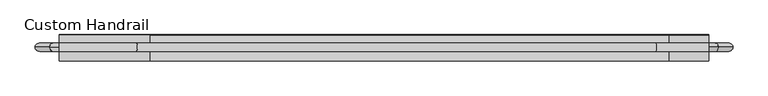
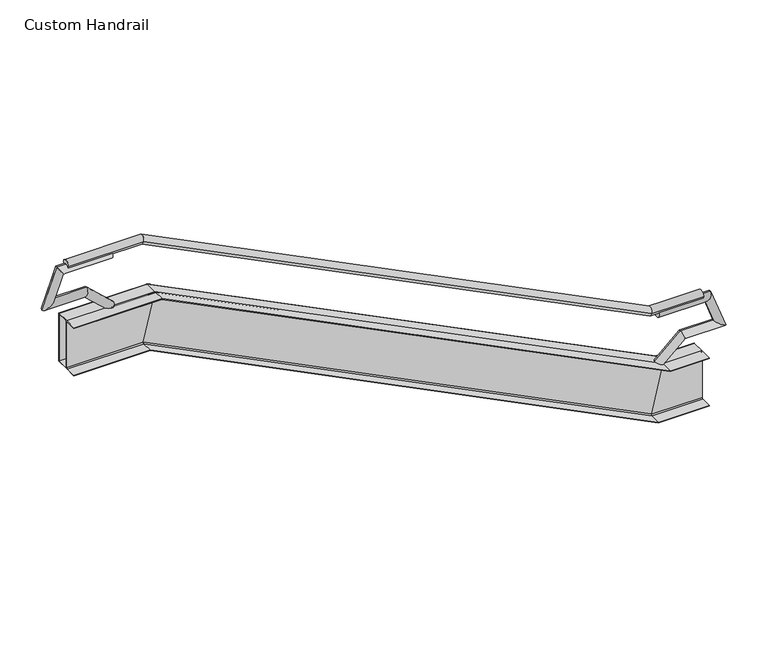
"""IFC4 building model written with IfcOpenShell, lengths in millimetres: railing geometry, Custom Handrail."""

from ifc_helpers import new_model, si_unit, frame, origin, place, context, project, spatial, polyline, circle_curve, ellipse_curve, faceted_brep, source, transform, mapped, element, save
from ifc_brep_helpers import plane_surface, cylinder_surface, revolved_surface, advanced_brep


def custom_handrail_e671c3d2(model_context):
    return source(origin(), model_context, "Body", "SolidModel", [
        advanced_brep(
        [(1131.1479602, 338.9735586, 863.6), (1131.1479602, 237.3735586, 863.6), (509.5557069, 338.9735586, 863.6), (509.5557069, 237.3735586, 863.6), (-5586.4442931, 338.9735586, 3911.6), (-5586.4442931, 237.3735586, 3911.6), (-6488.8520398, 338.9735586, 3911.6), (-6488.8520398, 237.3735586, 3911.6)],
        [
            (0, 1, circle_curve(frame((1131.1479602, 288.1735586, 863.6), z_axis=(1.0, 0.0, 0.0), x_axis=(0.0, -1.0, 0.0)), 50.8)),
            (1, 0, circle_curve(frame((1131.1479602, 288.1735586, 863.6), z_axis=(1.0, 0.0, 0.0), x_axis=(0.0, -1.0, 0.0)), 50.8)),
            (0, 2),
            (2, 3, ellipse_curve(frame((509.5557069, 288.1735586, 863.6), z_axis=(0.9732489894677302, 0.0, -0.22975292054736124), x_axis=(0.22975292054736096, 0.0, 0.9732489894677302)), 52.1963039, 50.8)),
            (3, 1),
            (3, 2, ellipse_curve(frame((509.5557069, 288.1735586, 863.6), z_axis=(0.9732489894677302, 0.0, -0.22975292054736124), x_axis=(0.22975292054736096, 0.0, 0.9732489894677302)), 52.1963039, 50.8)),
            (2, 4),
            (4, 5, ellipse_curve(frame((-5586.4442931, 288.1735586, 3911.6), z_axis=(0.9732489894677302, 0.0, -0.22975292054736132), x_axis=(-0.2297529205473615, 0.0, -0.9732489894677301)), 52.1963039, 50.8)),
            (5, 3),
            (5, 4, ellipse_curve(frame((-5586.4442931, 288.1735586, 3911.6), z_axis=(0.9732489894677302, 0.0, -0.22975292054736132), x_axis=(-0.2297529205473615, 0.0, -0.9732489894677301)), 52.1963039, 50.8)),
            (6, 7, circle_curve(frame((-6488.8520398, 288.1735586, 3911.6), z_axis=(-1.0, 0.0, 0.0), x_axis=(0.0, -1.0, 0.0)), 50.8)),
            (7, 6, circle_curve(frame((-6488.8520398, 288.1735586, 3911.6), z_axis=(-1.0, 0.0, 0.0), x_axis=(0.0, -1.0, 0.0)), 50.8)),
            (4, 6),
            (7, 5),
        ],
        [
            plane_surface(frame((1131.1479602, 288.1735586, 914.4), z_axis=(1.0, 0.0, 0.0), x_axis=(0.0, -1.0, 0.0))),
            cylinder_surface(frame((1131.1479602, 288.1735586, 863.6), z_axis=(1.0, 0.0, 0.0), x_axis=(0.0, -1.0, 0.0)), 50.8),
            cylinder_surface(frame((498.8295095, 288.1735586, 868.9630987), z_axis=(0.8944271909999159, 0.0, -0.44721359549995804), x_axis=(0.0, -1.0, 0.0)), 50.8),
            plane_surface(frame((-6488.8520398, 288.1735586, 3962.4), z_axis=(-1.0, 0.0, 0.0), x_axis=(0.0, -1.0, 0.0))),
            cylinder_surface(frame((-5574.4520398, 288.1735586, 3911.6), z_axis=(1.0, 0.0, 0.0), x_axis=(0.0, -1.0, 0.0)), 50.8),
        ],
        [
            (0, [[1, 2]]),
            (1, [[-1, 3, 4, 5]]),
            (1, [[-2, -5, 6, -3]]),
            (2, [[-4, 7, 8, 9]]),
            (2, [[-6, -9, 10, -7]]),
            (3, [[11, 12]]),
            (4, [[-8, 13, -12, 14]]),
            (4, [[-10, -14, -11, -13]]),
        ],
    ),
        advanced_brep(
        [(1131.1479602, 427.8735586, -457.2), (1131.1479602, 427.8735586, -450.85), (1131.1479602, 294.5235586, -450.85), (1131.1479602, 281.8235586, -438.15), (1131.1479602, 281.8235586, 133.35), (1131.1479602, 294.5235586, 146.05), (1131.1479602, 427.8735586, 146.05), (1131.1479602, 427.8735586, 152.4), (1131.1479602, 275.4735586, 152.4), (1131.1479602, 123.0735586, 152.4), (1131.1479602, 123.0735586, 146.05), (1131.1479602, 256.4235586, 146.05), (1131.1479602, 269.1235586, 133.35), (1131.1479602, 269.1235586, -438.15), (1131.1479602, 256.4235586, -450.85), (1131.1479602, 123.0735586, -450.85), (1131.1479602, 123.0735586, -457.2), (1131.1479602, 275.4735586, -457.2), (521.5479602, 427.8735586, -457.2), (523.0469918, 427.8735586, -450.85), (523.0469918, 294.5235586, -450.85), (526.0450551, 281.8235586, -438.15), (660.9579043, 281.8235586, 133.35), (663.9559676, 294.5235586, 146.05), (663.9559676, 427.8735586, 146.05), (665.4549993, 427.8735586, 152.4), (665.4549993, 275.4735586, 152.4), (665.4549993, 123.0735586, 152.4), (663.9559676, 123.0735586, 146.05), (663.9559676, 256.4235586, 146.05), (660.9579043, 269.1235586, 133.35), (526.0450551, 269.1235586, -438.15), (523.0469918, 256.4235586, -450.85), (523.0469918, 123.0735586, -450.85), (521.5479602, 123.0735586, -457.2), (521.5479602, 275.4735586, -457.2), (-5574.4520398, 427.8735586, 2590.8), (-5572.9530082, 427.8735586, 2597.15), (-5572.9530082, 294.5235586, 2597.15), (-5569.9549449, 281.8235586, 2609.85), (-5435.0420957, 281.8235586, 3181.35), (-5432.0440324, 294.5235586, 3194.05), (-5432.0440324, 427.8735586, 3194.05), (-5430.5450007, 427.8735586, 3200.4), (-5430.5450007, 275.4735586, 3200.4), (-5430.5450007, 123.0735586, 3200.4), (-5432.0440324, 123.0735586, 3194.05), (-5432.0440324, 256.4235586, 3194.05), (-5435.0420957, 269.1235586, 3181.35), (-5569.9549449, 269.1235586, 2609.85), (-5572.9530082, 256.4235586, 2597.15), (-5572.9530082, 123.0735586, 2597.15), (-5574.4520398, 123.0735586, 2590.8), (-5574.4520398, 275.4735586, 2590.8), (-6488.8520398, 427.8735586, 2590.8), (-6488.8520398, 275.4735586, 2590.8), (-6488.8520398, 123.0735586, 2590.8), (-6488.8520398, 123.0735586, 2597.15), (-6488.8520398, 256.4235586, 2597.15), (-6488.8520398, 269.1235586, 2609.85), (-6488.8520398, 269.1235586, 3181.35), (-6488.8520398, 256.4235586, 3194.05), (-6488.8520398, 123.0735586, 3194.05), (-6488.8520398, 123.0735586, 3200.4), (-6488.8520398, 275.4735586, 3200.4), (-6488.8520398, 427.8735586, 3200.4), (-6488.8520398, 427.8735586, 3194.05), (-6488.8520398, 294.5235586, 3194.05), (-6488.8520398, 281.8235586, 3181.35), (-6488.8520398, 281.8235586, 2609.85), (-6488.8520398, 294.5235586, 2597.15), (-6488.8520398, 427.8735586, 2597.15)],
        [
            (0, 1),
            (1, 2),
            (2, 3, circle_curve(frame((1131.1479602, 294.5235586, -438.15), z_axis=(-1.0, 0.0, 0.0), x_axis=(0.0, -1.0, 0.0)), 12.7)),
            (3, 4),
            (4, 5, circle_curve(frame((1131.1479602, 294.5235586, 133.35), z_axis=(-1.0, 0.0, 0.0), x_axis=(0.0, -1.0, 0.0)), 12.7)),
            (5, 6),
            (6, 7),
            (7, 8),
            (8, 9),
            (9, 10),
            (10, 11),
            (11, 12, circle_curve(frame((1131.1479602, 256.4235586, 133.35), z_axis=(-1.0, 0.0, 0.0), x_axis=(0.0, -1.0, 0.0)), 12.7)),
            (12, 13),
            (13, 14, circle_curve(frame((1131.1479602, 256.4235586, -438.15), z_axis=(-1.0, 0.0, 0.0), x_axis=(0.0, -1.0, 0.0)), 12.7)),
            (14, 15),
            (15, 16),
            (16, 17),
            (17, 0),
            (0, 18),
            (18, 19),
            (19, 1),
            (19, 20),
            (20, 2),
            (20, 21, ellipse_curve(frame((526.0450551, 294.5235586, -438.15), z_axis=(-0.9732489894677302, 0.0, 0.22975292054736124), x_axis=(-0.22975292054736096, 0.0, -0.9732489894677302)), 13.049076, 12.7)),
            (21, 3),
            (21, 22),
            (22, 4),
            (22, 23, ellipse_curve(frame((660.9579043, 294.5235586, 133.35), z_axis=(-0.9732489894677302, 0.0, 0.22975292054736124), x_axis=(-0.22975292054736096, 0.0, -0.9732489894677302)), 13.049076, 12.7)),
            (23, 5),
            (23, 24),
            (24, 6),
            (24, 25),
            (25, 7),
            (25, 26),
            (26, 8),
            (26, 27),
            (27, 9),
            (27, 28),
            (28, 10),
            (28, 29),
            (29, 11),
            (29, 30, ellipse_curve(frame((660.9579043, 256.4235586, 133.35), z_axis=(-0.9732489894677302, 0.0, 0.22975292054736124), x_axis=(-0.22975292054736096, 0.0, -0.9732489894677302)), 13.049076, 12.7)),
            (30, 12),
            (30, 31),
            (31, 13),
            (31, 32, ellipse_curve(frame((526.0450551, 256.4235586, -438.15), z_axis=(-0.9732489894677302, 0.0, 0.22975292054736124), x_axis=(-0.22975292054736096, 0.0, -0.9732489894677302)), 13.049076, 12.7)),
            (32, 14),
            (32, 33),
            (33, 15),
            (33, 34),
            (34, 16),
            (34, 35),
            (35, 17),
            (35, 18),
            (18, 36),
            (36, 37),
            (37, 19),
            (37, 38),
            (38, 20),
            (38, 39, ellipse_curve(frame((-5569.9549449, 294.5235586, 2609.85), z_axis=(-0.9732489894677302, 0.0, 0.22975292054736132), x_axis=(0.2297529205473615, 0.0, 0.9732489894677301)), 13.049076, 12.7)),
            (39, 21),
            (39, 40),
            (40, 22),
            (40, 41, ellipse_curve(frame((-5435.0420957, 294.5235586, 3181.35), z_axis=(-0.9732489894677302, 0.0, 0.22975292054736132), x_axis=(0.2297529205473615, 0.0, 0.9732489894677301)), 13.049076, 12.7)),
            (41, 23),
            (41, 42),
            (42, 24),
            (42, 43),
            (43, 25),
            (43, 44),
            (44, 26),
            (44, 45),
            (45, 27),
            (45, 46),
            (46, 28),
            (46, 47),
            (47, 29),
            (47, 48, ellipse_curve(frame((-5435.0420957, 256.4235586, 3181.35), z_axis=(-0.9732489894677302, 0.0, 0.22975292054736132), x_axis=(0.2297529205473615, 0.0, 0.9732489894677301)), 13.049076, 12.7)),
            (48, 30),
            (48, 49),
            (49, 31),
            (49, 50, ellipse_curve(frame((-5569.9549449, 256.4235586, 2609.85), z_axis=(-0.9732489894677302, 0.0, 0.22975292054736132), x_axis=(0.2297529205473615, 0.0, 0.9732489894677301)), 13.049076, 12.7)),
            (50, 32),
            (50, 51),
            (51, 33),
            (51, 52),
            (52, 34),
            (52, 53),
            (53, 35),
            (53, 36),
            (54, 55),
            (55, 56),
            (56, 57),
            (57, 58),
            (58, 59, circle_curve(frame((-6488.8520398, 256.4235586, 2609.85), z_axis=(1.0, 0.0, 0.0), x_axis=(0.0, -1.0, 0.0)), 12.7)),
            (59, 60),
            (60, 61, circle_curve(frame((-6488.8520398, 256.4235586, 3181.35), z_axis=(1.0, 0.0, 0.0), x_axis=(0.0, -1.0, 0.0)), 12.7)),
            (61, 62),
            (62, 63),
            (63, 64),
            (64, 65),
            (65, 66),
            (66, 67),
            (67, 68, circle_curve(frame((-6488.8520398, 294.5235586, 3181.35), z_axis=(1.0, 0.0, 0.0), x_axis=(0.0, -1.0, 0.0)), 12.7)),
            (68, 69),
            (69, 70, circle_curve(frame((-6488.8520398, 294.5235586, 2609.85), z_axis=(1.0, 0.0, 0.0), x_axis=(0.0, -1.0, 0.0)), 12.7)),
            (70, 71),
            (71, 54),
            (36, 54),
            (71, 37),
            (70, 38),
            (69, 39),
            (68, 40),
            (67, 41),
            (66, 42),
            (65, 43),
            (64, 44),
            (63, 45),
            (62, 46),
            (61, 47),
            (60, 48),
            (59, 49),
            (58, 50),
            (57, 51),
            (56, 52),
            (55, 53),
        ],
        [
            plane_surface(frame((1131.1479602, 275.4735586, -457.2), z_axis=(1.0, 0.0, 0.0), x_axis=(0.0, -1.0, 0.0))),
            plane_surface(frame((1131.1479602, 427.8735586, -457.2), z_axis=(0.0, 1.0, 0.0), x_axis=(-1.0, 0.0, 0.0))),
            plane_surface(frame((1131.1479602, 427.8735586, -450.85), z_axis=(0.0, 0.0, 1.0), x_axis=(-1.0, 0.0, 0.0))),
            revolved_surface(polyline([(523.0469917785556, 281.8235586, -438.15), (1131.1479602, 281.8235586, -438.15)]), (1131.1479602, 294.5235586, -438.15), (-1.0, 0.0, 0.0)),
            plane_surface(frame((1131.1479602, 281.8235586, -438.15), z_axis=(0.0, 1.0, 0.0), x_axis=(-1.0, 0.0, 0.0))),
            revolved_surface(polyline([(657.9598409785556, 281.8235586, 133.35), (1131.1479602, 281.8235586, 133.35)]), (1131.1479602, 294.5235586, 133.35), (-1.0, 0.0, 0.0)),
            plane_surface(frame((1131.1479602, 294.5235586, 146.05), z_axis=(0.0, 0.0, -1.0), x_axis=(-1.0, 0.0, 0.0))),
            plane_surface(frame((1131.1479602, 427.8735586, 146.05), z_axis=(0.0, 1.0, 0.0), x_axis=(-1.0, 0.0, 0.0))),
            plane_surface(frame((1131.1479602, 427.8735586, 152.4), z_axis=(0.0, 0.0, 1.0), x_axis=(-1.0, 0.0, 0.0))),
            plane_surface(frame((1131.1479602, 275.4735586, 152.4), z_axis=(0.0, 0.0, 1.0), x_axis=(-1.0, 0.0, 0.0))),
            plane_surface(frame((1131.1479602, 123.0735586, 152.4), z_axis=(0.0, -1.0, 0.0), x_axis=(-1.0, 0.0, 0.0))),
            plane_surface(frame((1131.1479602, 123.0735586, 146.05), z_axis=(0.0, 0.0, -1.0), x_axis=(-1.0, 0.0, 0.0))),
            revolved_surface(polyline([(657.9598409785556, 243.7235586, 133.35), (1131.1479602, 243.7235586, 133.35)]), (1131.1479602, 256.4235586, 133.35), (-1.0, 0.0, 0.0)),
            plane_surface(frame((1131.1479602, 269.1235586, 133.35), z_axis=(0.0, -1.0, 0.0), x_axis=(-1.0, 0.0, 0.0))),
            revolved_surface(polyline([(523.0469917785556, 243.7235586, -438.15), (1131.1479602, 243.7235586, -438.15)]), (1131.1479602, 256.4235586, -438.15), (-1.0, 0.0, 0.0)),
            plane_surface(frame((1131.1479602, 256.4235586, -450.85), z_axis=(0.0, 0.0, 1.0), x_axis=(-1.0, 0.0, 0.0))),
            plane_surface(frame((1131.1479602, 123.0735586, -450.85), z_axis=(0.0, -1.0, 0.0), x_axis=(-1.0, 0.0, 0.0))),
            plane_surface(frame((1131.1479602, 123.0735586, -457.2), z_axis=(0.0, 0.0, -1.0), x_axis=(-1.0, 0.0, 0.0))),
            plane_surface(frame((1131.1479602, 275.4735586, -457.2), z_axis=(0.0, 0.0, -1.0), x_axis=(-1.0, 0.0, 0.0))),
            plane_surface(frame((521.5479602, 427.8735586, -457.2), z_axis=(0.0, 1.0000000000000002, 0.0), x_axis=(-0.894427190999916, 0.0, 0.447213595499958))),
            plane_surface(frame((523.0469918, 427.8735586, -450.85), z_axis=(0.44721359549995787, 0.0, 0.894427190999916), x_axis=(-0.894427190999916, 0.0, 0.44721359549995787))),
            revolved_surface(polyline([(-5572.636494235039, 281.8235586, 2611.19077471752), (528.72660448, 281.8235586, -439.49077464)]), (530.0673792, 294.5235586, -440.161162), (-0.8944271909999159, 0.0, 0.44721359549995804)),
            plane_surface(frame((526.0450551, 281.8235586, -438.15), z_axis=(0.0, 1.0, 0.0), x_axis=(-0.894427190999916, 0.0, 0.44721359549995787))),
            revolved_surface(polyline([(-5437.723645080001, 281.8235586, 3182.690774640001), (663.6394536350394, 281.8235586, 132.0092252824803)]), (785.649949, 294.5235586, 71.0039776), (-0.8944271909999159, 0.0, 0.44721359549995804)),
            plane_surface(frame((663.9559676, 294.5235586, 146.05), z_axis=(-0.447213595499958, 0.0, -0.894427190999916), x_axis=(-0.894427190999916, 0.0, 0.447213595499958))),
            plane_surface(frame((663.9559676, 427.8735586, 146.05), z_axis=(0.0, 1.0000000000000002, 0.0), x_axis=(-0.894427190999916, 0.0, 0.447213595499958))),
            plane_surface(frame((665.4549993, 427.8735586, 152.4), z_axis=(0.447213595499958, 0.0, 0.894427190999916), x_axis=(-0.894427190999916, 0.0, 0.447213595499958))),
            plane_surface(frame((665.4549993, 275.4735586, 152.4), z_axis=(0.447213595499958, 0.0, 0.894427190999916), x_axis=(-0.894427190999916, 0.0, 0.447213595499958))),
            plane_surface(frame((665.4549993, 123.0735586, 152.4), z_axis=(0.0, -1.0, 0.0), x_axis=(-0.894427190999916, 0.0, 0.44721359549995787))),
            plane_surface(frame((663.9559676, 123.0735586, 146.05), z_axis=(-0.447213595499958, 0.0, -0.8944271909999159), x_axis=(-0.8944271909999159, 0.0, 0.447213595499958))),
            revolved_surface(polyline([(-5437.723645080001, 243.7235586, 3182.690774640001), (663.6394536350394, 243.7235586, 132.0092252824803)]), (785.649949, 256.4235586, 71.0039776), (-0.8944271909999159, 0.0, 0.44721359549995804)),
            plane_surface(frame((660.9579043, 269.1235586, 133.35), z_axis=(0.0, -1.0, 0.0), x_axis=(-0.894427190999916, 0.0, 0.44721359549995787))),
            revolved_surface(polyline([(-5572.636494235039, 243.7235586, 2611.19077471752), (528.72660448, 243.7235586, -439.49077464)]), (530.0673792, 256.4235586, -440.161162), (-0.8944271909999159, 0.0, 0.44721359549995804)),
            plane_surface(frame((523.0469918, 256.4235586, -450.85), z_axis=(0.447213595499958, 0.0, 0.894427190999916), x_axis=(-0.894427190999916, 0.0, 0.447213595499958))),
            plane_surface(frame((523.0469918, 123.0735586, -450.85), z_axis=(0.0, -1.0, 0.0), x_axis=(-0.894427190999916, 0.0, 0.44721359549995787))),
            plane_surface(frame((521.5479602, 123.0735586, -457.2), z_axis=(-0.447213595499958, 0.0, -0.894427190999916), x_axis=(-0.894427190999916, 0.0, 0.447213595499958))),
            plane_surface(frame((521.5479602, 275.4735586, -457.2), z_axis=(-0.447213595499958, 0.0, -0.894427190999916), x_axis=(-0.894427190999916, 0.0, 0.447213595499958))),
            plane_surface(frame((-6488.8520398, 275.4735586, 2590.8), z_axis=(-1.0, 0.0, 0.0), x_axis=(0.0, -1.0, 0.0))),
            plane_surface(frame((-5574.4520398, 427.8735586, 2590.8), z_axis=(0.0, 1.0, 0.0), x_axis=(-1.0, 0.0, 0.0))),
            plane_surface(frame((-5572.9530082, 427.8735586, 2597.15), z_axis=(0.0, 0.0, 1.0), x_axis=(-1.0, 0.0, 0.0))),
            revolved_surface(polyline([(-6488.8520398, 281.8235586, 2609.85), (-5566.956881578555, 281.8235586, 2609.85)]), (-5574.4520398, 294.5235586, 2609.85), (-1.0, 0.0, 0.0)),
            plane_surface(frame((-5569.9549449, 281.8235586, 2609.85), z_axis=(0.0, 1.0, 0.0), x_axis=(-1.0, 0.0, 0.0))),
            revolved_surface(polyline([(-6488.8520398, 281.8235586, 3181.35), (-5432.044032378555, 281.8235586, 3181.35)]), (-5574.4520398, 294.5235586, 3181.35), (-1.0, 0.0, 0.0)),
            plane_surface(frame((-5432.0440324, 294.5235586, 3194.05), z_axis=(0.0, 0.0, -1.0), x_axis=(-1.0, 0.0, 0.0))),
            plane_surface(frame((-5432.0440324, 427.8735586, 3194.05), z_axis=(0.0, 1.0, 0.0), x_axis=(-1.0, 0.0, 0.0))),
            plane_surface(frame((-5430.5450007, 427.8735586, 3200.4), z_axis=(0.0, 0.0, 1.0), x_axis=(-1.0, 0.0, 0.0))),
            plane_surface(frame((-5430.5450007, 275.4735586, 3200.4), z_axis=(0.0, 0.0, 1.0), x_axis=(-1.0, 0.0, 0.0))),
            plane_surface(frame((-5430.5450007, 123.0735586, 3200.4), z_axis=(0.0, -1.0, 0.0), x_axis=(-1.0, 0.0, 0.0))),
            plane_surface(frame((-5432.0440324, 123.0735586, 3194.05), z_axis=(0.0, 0.0, -1.0), x_axis=(-1.0, 0.0, 0.0))),
            revolved_surface(polyline([(-6488.8520398, 243.7235586, 3181.35), (-5432.044032378555, 243.7235586, 3181.35)]), (-5574.4520398, 256.4235586, 3181.35), (-1.0, 0.0, 0.0)),
            plane_surface(frame((-5435.0420957, 269.1235586, 3181.35), z_axis=(0.0, -1.0, 0.0), x_axis=(-1.0, 0.0, 0.0))),
            revolved_surface(polyline([(-6488.8520398, 243.7235586, 2609.85), (-5566.956881578555, 243.7235586, 2609.85)]), (-5574.4520398, 256.4235586, 2609.85), (-1.0, 0.0, 0.0)),
            plane_surface(frame((-5572.9530082, 256.4235586, 2597.15), z_axis=(0.0, 0.0, 1.0), x_axis=(-1.0, 0.0, 0.0))),
            plane_surface(frame((-5572.9530082, 123.0735586, 2597.15), z_axis=(0.0, -1.0, 0.0), x_axis=(-1.0, 0.0, 0.0))),
            plane_surface(frame((-5574.4520398, 123.0735586, 2590.8), z_axis=(0.0, 0.0, -1.0), x_axis=(-1.0, 0.0, 0.0))),
            plane_surface(frame((-5574.4520398, 275.4735586, 2590.8), z_axis=(0.0, 0.0, -1.0), x_axis=(-1.0, 0.0, 0.0))),
        ],
        [
            (0, [[1, 2, 3, 4, 5, 6, 7, 8, 9, 10, 11, 12, 13, 14, 15, 16, 17, 18]]),
            (1, [[-1, 19, 20, 21]]),
            (2, [[-2, -21, 22, 23]]),
            (3, [[-3, -23, 24, 25]]),
            (4, [[-4, -25, 26, 27]]),
            (5, [[-5, -27, 28, 29]]),
            (6, [[-6, -29, 30, 31]]),
            (7, [[-7, -31, 32, 33]]),
            (8, [[-8, -33, 34, 35]]),
            (9, [[-9, -35, 36, 37]]),
            (10, [[-10, -37, 38, 39]]),
            (11, [[-11, -39, 40, 41]]),
            (12, [[-12, -41, 42, 43]]),
            (13, [[-13, -43, 44, 45]]),
            (14, [[-14, -45, 46, 47]]),
            (15, [[-15, -47, 48, 49]]),
            (16, [[-16, -49, 50, 51]]),
            (17, [[-17, -51, 52, 53]]),
            (18, [[-18, -53, 54, -19]]),
            (19, [[-20, 55, 56, 57]]),
            (20, [[-22, -57, 58, 59]]),
            (21, [[-24, -59, 60, 61]]),
            (22, [[-26, -61, 62, 63]]),
            (23, [[-28, -63, 64, 65]]),
            (24, [[-30, -65, 66, 67]]),
            (25, [[-32, -67, 68, 69]]),
            (26, [[-34, -69, 70, 71]]),
            (27, [[-36, -71, 72, 73]]),
            (28, [[-38, -73, 74, 75]]),
            (29, [[-40, -75, 76, 77]]),
            (30, [[-42, -77, 78, 79]]),
            (31, [[-44, -79, 80, 81]]),
            (32, [[-46, -81, 82, 83]]),
            (33, [[-48, -83, 84, 85]]),
            (34, [[-50, -85, 86, 87]]),
            (35, [[-52, -87, 88, 89]]),
            (36, [[-54, -89, 90, -55]]),
            (37, [[91, 92, 93, 94, 95, 96, 97, 98, 99, 100, 101, 102, 103, 104, 105, 106, 107, 108]]),
            (38, [[-56, 109, -108, 110]]),
            (39, [[-58, -110, -107, 111]]),
            (40, [[-60, -111, -106, 112]]),
            (41, [[-62, -112, -105, 113]]),
            (42, [[-64, -113, -104, 114]]),
            (43, [[-66, -114, -103, 115]]),
            (44, [[-68, -115, -102, 116]]),
            (45, [[-70, -116, -101, 117]]),
            (46, [[-72, -117, -100, 118]]),
            (47, [[-74, -118, -99, 119]]),
            (48, [[-76, -119, -98, 120]]),
            (49, [[-78, -120, -97, 121]]),
            (50, [[-80, -121, -96, 122]]),
            (51, [[-82, -122, -95, 123]]),
            (52, [[-84, -123, -94, 124]]),
            (53, [[-86, -124, -93, 125]]),
            (54, [[-88, -125, -92, 126]]),
            (55, [[-90, -126, -91, -109]]),
        ],
    ),
        faceted_brep([(1131.1479602, 434.2235586, 152.4), (1131.1479602, 427.8735586, 152.4), (1131.1479602, 427.8735586, -457.2), (1131.1479602, 434.2235586, -457.2), (665.4549993, 434.2235586, 152.4), (665.4549993, 427.8735586, 152.4), (521.5479602, 427.8735586, -457.2), (521.5479602, 434.2235586, -457.2), (-5430.5450007, 434.2235586, 3200.4), (-5430.5450007, 427.8735586, 3200.4), (-5574.4520398, 427.8735586, 2590.8), (-5574.4520398, 434.2235586, 2590.8), (-6488.8520398, 434.2235586, 3200.4), (-6488.8520398, 434.2235586, 2590.8), (-6488.8520398, 427.8735586, 2590.8), (-6488.8520398, 427.8735586, 3200.4)], [[[0, 1, 2, 3]], [[1, 0, 4, 5]], [[2, 1, 5, 6]], [[3, 2, 6, 7]], [[0, 3, 7, 4]], [[5, 4, 8, 9]], [[6, 5, 9, 10]], [[7, 6, 10, 11]], [[4, 7, 11, 8]], [[12, 13, 14, 15]], [[9, 8, 12, 15]], [[10, 9, 15, 14]], [[11, 10, 14, 13]], [[8, 11, 13, 12]]]),
        advanced_brep(
        [(-5955.4520398, 288.1735586, 3911.6), (-5955.4520398, 288.1735586, 3810.0), (-6529.4814969, 288.1735586, 3810.0), (-6600.6225828, 288.1735586, 3911.6), (-6631.4991073, 288.1735586, 3529.7089189), (-6776.5989448, 288.1735586, 3428.1089189), (-6240.5381779, 288.1735586, 3529.7089189), (-6279.9659017, 288.1735586, 3428.1089189), (-5989.7192312, 288.1735586, 3162.8980055), (-5921.1848484, 288.1735586, 3237.9019945)],
        [
            (0, 1, circle_curve(frame((-5955.4520398, 288.1735586, 3860.8), z_axis=(1.0, 0.0, 0.0), x_axis=(0.0, 0.0, -1.0)), 50.8)),
            (1, 0, circle_curve(frame((-5955.4520398, 288.1735586, 3860.8), z_axis=(1.0, 0.0, 0.0), x_axis=(0.0, 0.0, -1.0)), 50.8)),
            (1, 2),
            (2, 3, ellipse_curve(frame((-6565.0520398, 288.1735586, 3860.8), z_axis=(0.8191520442889922, 0.0, 0.5735764363510455), x_axis=(0.5735764363510455, 0.0, -0.8191520442889922)), 62.0153491, 50.8)),
            (3, 0),
            (3, 2, ellipse_curve(frame((-6565.0520398, 288.1735586, 3860.8), z_axis=(0.8191520442889922, 0.0, 0.5735764363510455), x_axis=(0.5735764363510455, 0.0, -0.8191520442889922)), 62.0153491, 50.8)),
            (2, 4),
            (4, 5, ellipse_curve(frame((-6704.0490261, 288.1735586, 3478.9089189), z_axis=(-0.5735764363510455, 0.0, 0.8191520442889922), x_axis=(0.8191520442889922, 0.0, 0.5735764363510455)), 88.5670972, 50.8)),
            (5, 3),
            (5, 4, ellipse_curve(frame((-6704.0490261, 288.1735586, 3478.9089189), z_axis=(-0.5735764363510455, 0.0, 0.8191520442889922), x_axis=(0.8191520442889922, 0.0, 0.5735764363510455)), 88.5670972, 50.8)),
            (4, 6),
            (6, 7, ellipse_curve(frame((-6260.2520398, 288.1735586, 3478.9089189), z_axis=(-0.932262902371369, 0.0, 0.3617815374809931), x_axis=(-0.3617815374809932, 0.0, -0.9322629023713689)), 54.4910667, 50.8)),
            (7, 5),
            (7, 6, ellipse_curve(frame((-6260.2520398, 288.1735586, 3478.9089189), z_axis=(-0.932262902371369, 0.0, 0.3617815374809931), x_axis=(-0.3617815374809932, 0.0, -0.9322629023713689)), 54.4910667, 50.8)),
            (8, 9, circle_curve(frame((-5955.4520398, 288.1735586, 3200.4), z_axis=(0.7382282382757775, 0.0, -0.6745510123128138), x_axis=(0.6745510123128138, 0.0, 0.7382282382757775)), 50.8)),
            (9, 8, circle_curve(frame((-5955.4520398, 288.1735586, 3200.4), z_axis=(0.7382282382757775, 0.0, -0.6745510123128138), x_axis=(0.6745510123128138, 0.0, 0.7382282382757775)), 50.8)),
            (6, 9),
            (8, 7),
        ],
        [
            plane_surface(frame((-5955.4520398, 288.1735586, 3860.8), z_axis=(1.0, 0.0, 0.0), x_axis=(0.0, 1.0, 0.0))),
            cylinder_surface(frame((-5955.4520398, 288.1735586, 3860.8), z_axis=(1.0, 0.0, 0.0), x_axis=(0.0, 0.0, -1.0)), 50.8),
            cylinder_surface(frame((-6565.0520398, 288.1735586, 3860.8), z_axis=(0.3420201433256702, 0.0, 0.9396926207859079), x_axis=(0.9396926207859079, 0.0, -0.3420201433256702)), 50.8),
            cylinder_surface(frame((-6704.0490261, 288.1735586, 3478.9089189), z_axis=(-1.0, 0.0, 0.0), x_axis=(0.0, 0.0, 1.0)), 50.8),
            plane_surface(frame((-5955.4520398, 288.1735586, 3200.4), z_axis=(0.7382282382757777, 0.0, -0.6745510123128139), x_axis=(0.0, 1.0, 0.0))),
            cylinder_surface(frame((-6260.2520398, 288.1735586, 3478.9089189), z_axis=(-0.7382282382757775, 0.0, 0.6745510123128138), x_axis=(0.6745510123128138, 0.0, 0.7382282382757775)), 50.8),
        ],
        [
            (0, [[1, 2]]),
            (1, [[3, 4, 5, -2]]),
            (1, [[-5, 6, -3, -1]]),
            (2, [[7, 8, 9, -4]]),
            (2, [[-9, 10, -7, -6]]),
            (3, [[11, 12, 13, -8]]),
            (3, [[-13, 14, -11, -10]]),
            (4, [[15, 16]]),
            (5, [[17, -15, 18, -12]]),
            (5, [[-18, -16, -17, -14]]),
        ],
    ),
        advanced_brep(
        [(597.7479602, 288.1735586, 863.6), (597.7479602, 288.1735586, 762.0), (1171.7774172, 288.1735586, 762.0), (1242.9185031, 288.1735586, 863.6), (1273.7950277, 288.1735586, 481.7089189), (1418.8948652, 288.1735586, 380.1089189), (882.8340983, 288.1735586, 481.7089189), (922.2618221, 288.1735586, 380.1089189), (632.0151516, 288.1735586, 114.8980055), (563.4807688, 288.1735586, 189.9019945)],
        [
            (0, 1, circle_curve(frame((597.7479602, 288.1735586, 812.8), z_axis=(-1.0, 0.0, 0.0), x_axis=(0.0, 0.0, -1.0)), 50.8)),
            (1, 0, circle_curve(frame((597.7479602, 288.1735586, 812.8), z_axis=(-1.0, 0.0, 0.0), x_axis=(0.0, 0.0, -1.0)), 50.8)),
            (1, 2),
            (2, 3, ellipse_curve(frame((1207.3479602, 288.1735586, 812.8), z_axis=(-0.8191520442889922, 0.0, 0.5735764363510455), x_axis=(-0.5735764363510455, 0.0, -0.8191520442889922)), 62.0153491, 50.8)),
            (3, 0),
            (3, 2, ellipse_curve(frame((1207.3479602, 288.1735586, 812.8), z_axis=(-0.8191520442889922, 0.0, 0.5735764363510455), x_axis=(-0.5735764363510455, 0.0, -0.8191520442889922)), 62.0153491, 50.8)),
            (2, 4),
            (4, 5, ellipse_curve(frame((1346.3449464, 288.1735586, 430.9089189), z_axis=(0.5735764363510455, 0.0, 0.8191520442889922), x_axis=(-0.8191520442889922, 0.0, 0.5735764363510455)), 88.5670972, 50.8)),
            (5, 3),
            (5, 4, ellipse_curve(frame((1346.3449464, 288.1735586, 430.9089189), z_axis=(0.5735764363510455, 0.0, 0.8191520442889922), x_axis=(-0.8191520442889922, 0.0, 0.5735764363510455)), 88.5670972, 50.8)),
            (4, 6),
            (6, 7, ellipse_curve(frame((902.5479602, 288.1735586, 430.9089189), z_axis=(0.932262902371369, 0.0, 0.3617815374809931), x_axis=(0.3617815374809932, 0.0, -0.9322629023713689)), 54.4910667, 50.8)),
            (7, 5),
            (7, 6, ellipse_curve(frame((902.5479602, 288.1735586, 430.9089189), z_axis=(0.932262902371369, 0.0, 0.3617815374809931), x_axis=(0.3617815374809932, 0.0, -0.9322629023713689)), 54.4910667, 50.8)),
            (8, 9, circle_curve(frame((597.7479602, 288.1735586, 152.4), z_axis=(-0.7382282382757775, 0.0, -0.6745510123128138), x_axis=(-0.6745510123128138, 0.0, 0.7382282382757775)), 50.8)),
            (9, 8, circle_curve(frame((597.7479602, 288.1735586, 152.4), z_axis=(-0.7382282382757775, 0.0, -0.6745510123128138), x_axis=(-0.6745510123128138, 0.0, 0.7382282382757775)), 50.8)),
            (6, 9),
            (8, 7),
        ],
        [
            plane_surface(frame((597.7479602, 288.1735586, 812.8), z_axis=(-1.0, 0.0, 0.0), x_axis=(0.0, 1.0, 0.0))),
            cylinder_surface(frame((597.7479602, 288.1735586, 812.8), z_axis=(-1.0, 0.0, 0.0), x_axis=(0.0, 0.0, -1.0)), 50.8),
            cylinder_surface(frame((1207.3479602, 288.1735586, 812.8), z_axis=(-0.3420201433256702, 0.0, 0.9396926207859079), x_axis=(-0.9396926207859079, 0.0, -0.3420201433256702)), 50.8),
            cylinder_surface(frame((1346.3449464, 288.1735586, 430.9089189), z_axis=(1.0, 0.0, 0.0), x_axis=(0.0, 0.0, 1.0)), 50.8),
            plane_surface(frame((597.7479602, 288.1735586, 152.4), z_axis=(-0.7382282382757777, 0.0, -0.6745510123128139), x_axis=(0.0, 1.0, 0.0))),
            cylinder_surface(frame((902.5479602, 288.1735586, 430.9089189), z_axis=(0.7382282382757775, 0.0, 0.6745510123128138), x_axis=(-0.6745510123128138, 0.0, 0.7382282382757775)), 50.8),
        ],
        [
            (0, [[1, 2]]),
            (1, [[3, 4, 5, -2]]),
            (1, [[-5, 6, -3, -1]]),
            (2, [[7, 8, 9, -4]]),
            (2, [[-9, 10, -7, -6]]),
            (3, [[11, 12, 13, -8]]),
            (3, [[-13, 14, -11, -10]]),
            (4, [[15, 16]]),
            (5, [[17, -15, 18, -12]]),
            (5, [[-18, -16, -17, -14]]),
        ],
    ),
    ])


if __name__ == "__main__":
    model = new_model("IFC4")
    model_context = context("Model", 3, world=origin())
    ifc_project = project(units=[si_unit("LENGTHUNIT", "METRE", prefix="MILLI")], contexts=[model_context])
    site = spatial("IfcSite", under=ifc_project)
    building = spatial("IfcBuilding", under=site)
    placement = place(None, origin())
    custom_handrail_shape = custom_handrail_e671c3d2(model_context)
    element("IfcRailing", 1, ObjectType="Custom Handrail", at=placement, inside=building, context=model_context, shape_type="MappedRepresentation", body=[
        mapped(custom_handrail_shape, transform((0.0, 0.0, 0.0), x_axis=(1.0, 0.0, 0.0), y_axis=(0.0, 1.0, 0.0), z_axis=(0.0, 0.0, 1.0))),
    ])
    save(model, "model.ifc")
